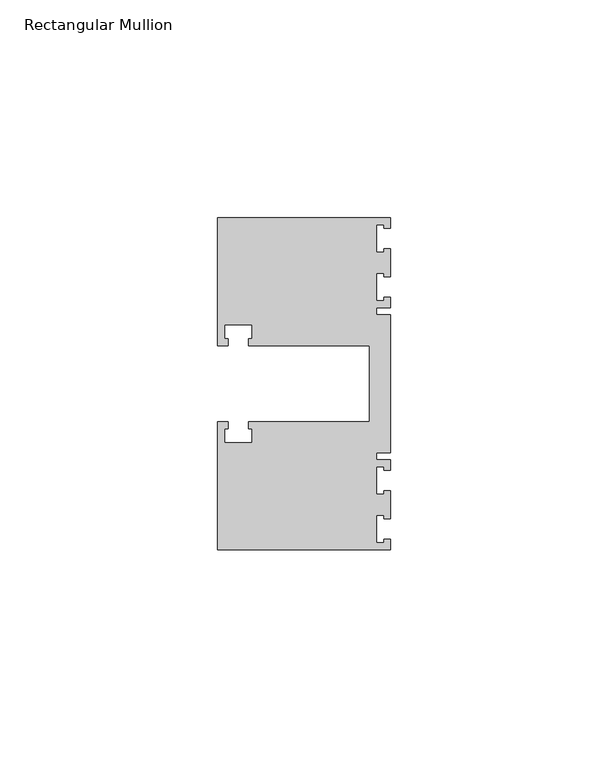
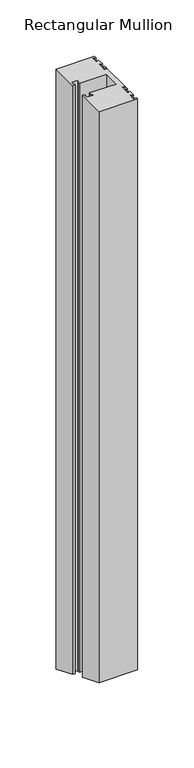
"""IFC4 building model written with IfcOpenShell, lengths in millimetres: member geometry, Rectangular Mullion."""

from ifc_helpers import new_model, si_unit, origin, place, context, project, spatial, faceted_brep, source, transform, mapped, element, save


def rectangular_mullion_618dadf2(model_context):
    return source(origin(), model_context, "Body", "Brep", [
        faceted_brep([(0.0, -38.1, 0.0), (0.0, -35.71875, 0.0), (-1.4999946, -35.71875, 0.0), (-1.4999946, -36.5125, 0.0), (-3.175, -36.5125, 0.0), (-3.175, -30.1625, 0.0), (-1.4999946, -30.1625, 0.0), (-1.4999946, -30.95625, 0.0), (0.0, -30.95625, 0.0), (0.0, -24.60625, 0.0), (-1.4999946, -24.60625, 0.0), (-1.4999946, -25.4, 0.0), (-3.175, -25.4, 0.0), (-3.175, -19.05, 0.0), (-1.4999946, -19.05, 0.0), (-1.4999946, -19.84375, 0.0), (0.0, -19.84375, 0.0), (0.0, -17.4625, 0.0), (-3.175, -17.4625, 0.0), (-3.175, -15.875, 0.0), (0.0, -15.875, 0.0), (0.0, 15.875, 0.0), (-3.175, 15.875, 0.0), (-3.175, 17.4625, 0.0), (0.0, 17.4625, 0.0), (0.0, 19.84375, 0.0), (-1.4999946, 19.84375, 0.0), (-1.4999946, 19.05, 0.0), (-3.175, 19.05, 0.0), (-3.175, 25.4, 0.0), (-1.4999946, 25.4, 0.0), (-1.4999946, 24.60625, 0.0), (0.0, 24.60625, 0.0), (0.0, 30.95625, 0.0), (-1.4999946, 30.95625, 0.0), (-1.4999946, 30.1625, 0.0), (-3.175, 30.1625, 0.0), (-3.175, 36.5125, 0.0), (-1.4999946, 36.5125, 0.0), (-1.4999946, 35.71875, 0.0), (0.0, 35.71875, 0.0), (0.0, 38.1, 0.0), (-39.6875, 38.1, 0.0), (-39.6875, 8.73125, 0.0), (-37.30625, 8.73125, 0.0), (-37.30625, 10.31875, 0.0), (-38.1, 10.31875, 0.0), (-38.1, 13.49375, 0.0), (-31.75, 13.49375, 0.0), (-31.75, 10.31875, 0.0), (-32.54375, 10.31875, 0.0), (-32.54375, 8.73125, 0.0), (-4.8585733, 8.73125, 0.0), (-4.8585733, -8.73125, 0.0), (-32.54375, -8.73125, 0.0), (-32.54375, -10.31875, 0.0), (-31.75, -10.31875, 0.0), (-31.75, -13.49375, 0.0), (-38.1, -13.49375, 0.0), (-38.1, -10.31875, 0.0), (-37.30625, -10.31875, 0.0), (-37.30625, -8.73125, 0.0), (-39.6875, -8.73125, 0.0), (-39.6875, -38.1, 0.0), (0.0, -38.1, -619.2184633), (0.0, -35.71875, -620.2048093), (-1.4999946, -35.71875, -620.2048093), (-1.4999946, -36.5125, -619.8760273), (-3.175, -36.5125, -619.8760273), (-3.175, -30.1625, -622.5062834), (-1.4999946, -30.1625, -622.5062834), (-1.4999946, -30.95625, -622.1775014), (0.0, -30.95625, -622.1775014), (0.0, -24.60625, -624.8077575), (-1.4999946, -24.60625, -624.8077575), (-1.4999946, -25.4, -624.4789755), (-3.175, -25.4, -624.4789755), (-3.175, -19.05, -627.1092316), (-1.4999946, -19.05, -627.1092316), (-1.4999946, -19.84375, -626.7804496), (0.0, -19.84375, -626.7804496), (0.0, -17.4625, -627.7667957), (-3.175, -17.4625, -627.7667957), (-3.175, -15.875, -628.4243597), (0.0, -15.875, -628.4243597), (0.0, 15.875, -641.5756403), (-3.175, 15.875, -641.5756403), (-3.175, 17.4625, -642.2332043), (0.0, 17.4625, -642.2332043), (0.0, 19.84375, -643.2195504), (-1.4999946, 19.84375, -643.2195504), (-1.4999946, 19.05, -642.8907684), (-3.175, 19.05, -642.8907684), (-3.175, 25.4, -645.5210245), (-1.4999946, 25.4, -645.5210245), (-1.4999946, 24.60625, -645.1922425), (0.0, 24.60625, -645.1922425), (0.0, 30.95625, -647.8224986), (-1.4999946, 30.95625, -647.8224986), (-1.4999946, 30.1625, -647.4937166), (-3.175, 30.1625, -647.4937166), (-3.175, 36.5125, -650.1239727), (-1.4999946, 36.5125, -650.1239727), (-1.4999946, 35.71875, -649.7951907), (0.0, 35.71875, -649.7951907), (0.0, 38.1, -650.7815367), (-39.6875, 38.1, -650.7815367), (-39.6875, 8.73125, -638.6166022), (-37.30625, 8.73125, -638.6166022), (-37.30625, 10.31875, -639.2741662), (-38.1, 10.31875, -639.2741662), (-38.1, 13.49375, -640.5892943), (-31.75, 13.49375, -640.5892943), (-31.75, 10.31875, -639.2741662), (-32.54375, 10.31875, -639.2741662), (-32.54375, 8.73125, -638.6166022), (-4.8585733, 8.73125, -638.6166022), (-4.8585733, -8.73125, -631.3833978), (-32.54375, -8.73125, -631.3833978), (-32.54375, -10.31875, -630.7258338), (-31.75, -10.31875, -630.7258338), (-31.75, -13.49375, -629.4107057), (-38.1, -13.49375, -629.4107057), (-38.1, -10.31875, -630.7258338), (-37.30625, -10.31875, -630.7258338), (-37.30625, -8.73125, -631.3833978), (-39.6875, -8.73125, -631.3833978), (-39.6875, -38.1, -619.2184633)], [[[0, 1, 2, 3, 4, 5, 6, 7, 8, 9, 10, 11, 12, 13, 14, 15, 16, 17, 18, 19, 20, 21, 22, 23, 24, 25, 26, 27, 28, 29, 30, 31, 32, 33, 34, 35, 36, 37, 38, 39, 40, 41, 42, 43, 44, 45, 46, 47, 48, 49, 50, 51, 52, 53, 54, 55, 56, 57, 58, 59, 60, 61, 62, 63]], [[1, 0, 64, 65]], [[2, 1, 65, 66]], [[3, 2, 66, 67]], [[4, 3, 67, 68]], [[5, 4, 68, 69]], [[6, 5, 69, 70]], [[7, 6, 70, 71]], [[8, 7, 71, 72]], [[9, 8, 72, 73]], [[10, 9, 73, 74]], [[11, 10, 74, 75]], [[12, 11, 75, 76]], [[13, 12, 76, 77]], [[14, 13, 77, 78]], [[15, 14, 78, 79]], [[16, 15, 79, 80]], [[17, 16, 80, 81]], [[18, 17, 81, 82]], [[19, 18, 82, 83]], [[20, 19, 83, 84]], [[21, 20, 84, 85]], [[22, 21, 85, 86]], [[23, 22, 86, 87]], [[24, 23, 87, 88]], [[25, 24, 88, 89]], [[26, 25, 89, 90]], [[27, 26, 90, 91]], [[28, 27, 91, 92]], [[29, 28, 92, 93]], [[30, 29, 93, 94]], [[31, 30, 94, 95]], [[32, 31, 95, 96]], [[33, 32, 96, 97]], [[34, 33, 97, 98]], [[35, 34, 98, 99]], [[36, 35, 99, 100]], [[37, 36, 100, 101]], [[38, 37, 101, 102]], [[39, 38, 102, 103]], [[40, 39, 103, 104]], [[41, 40, 104, 105]], [[42, 41, 105, 106]], [[43, 42, 106, 107]], [[44, 43, 107, 108]], [[45, 44, 108, 109]], [[46, 45, 109, 110]], [[47, 46, 110, 111]], [[48, 47, 111, 112]], [[49, 48, 112, 113]], [[50, 49, 113, 114]], [[51, 50, 114, 115]], [[52, 51, 115, 116]], [[53, 52, 116, 117]], [[54, 53, 117, 118]], [[55, 54, 118, 119]], [[56, 55, 119, 120]], [[57, 56, 120, 121]], [[58, 57, 121, 122]], [[59, 58, 122, 123]], [[60, 59, 123, 124]], [[61, 60, 124, 125]], [[62, 61, 125, 126]], [[63, 62, 126, 127]], [[0, 63, 127, 64]], [[64, 127, 126, 125, 124, 123, 122, 121, 120, 119, 118, 117, 116, 115, 114, 113, 112, 111, 110, 109, 108, 107, 106, 105, 104, 103, 102, 101, 100, 99, 98, 97, 96, 95, 94, 93, 92, 91, 90, 89, 88, 87, 86, 85, 84, 83, 82, 81, 80, 79, 78, 77, 76, 75, 74, 73, 72, 71, 70, 69, 68, 67, 66, 65]]]),
    ])


if __name__ == "__main__":
    model = new_model("IFC4")
    model_context = context("Model", 3, world=origin())
    ifc_project = project(units=[si_unit("LENGTHUNIT", "METRE", prefix="MILLI")], contexts=[model_context])
    site = spatial("IfcSite", under=ifc_project)
    building = spatial("IfcBuilding", under=site)
    placement = place(None, origin())
    rectangular_mullion_shape = rectangular_mullion_618dadf2(model_context)
    element("IfcMember", 1, ObjectType="Rectangular Mullion", at=placement, inside=building, context=model_context, shape_type="MappedRepresentation", body=[
        mapped(rectangular_mullion_shape, transform((0.0, 0.0, 0.0), x_axis=(1.0, 0.0, 0.0), y_axis=(0.0, 1.0, 0.0), z_axis=(0.0, 0.0, 1.0))),
    ])
    save(model, "model.ifc")
